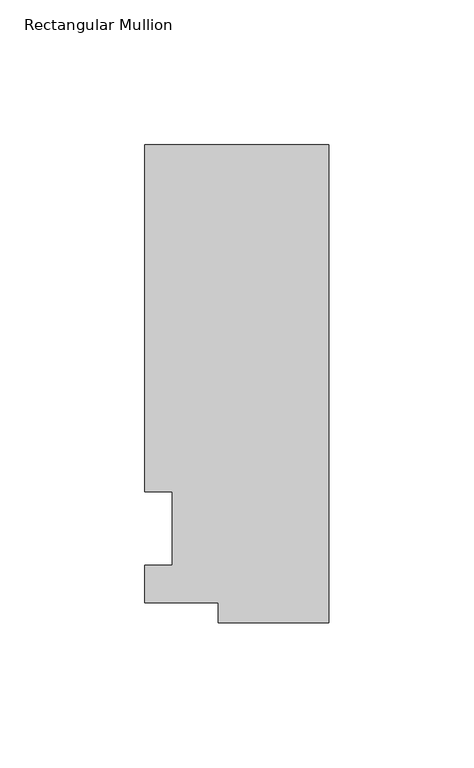
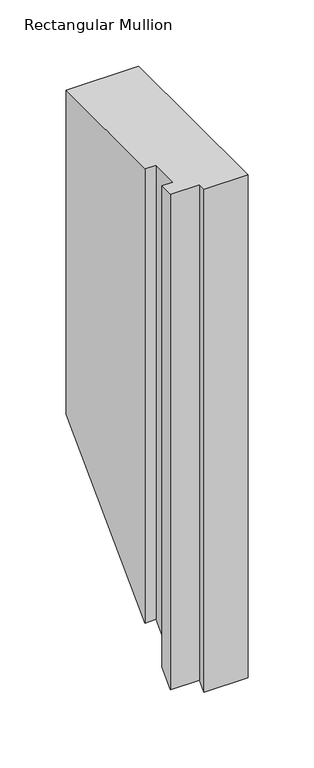
"""IFC4 building model written with IfcOpenShell, lengths in millimetres: member geometry, Rectangular Mullion."""

from ifc_helpers import new_model, si_unit, origin, place, context, project, spatial, faceted_brep, source, transform, mapped, element, save


def rectangular_mullion_c3aed979(model_context):
    return source(origin(), model_context, "Body", "Brep", [
        faceted_brep([(-38.1, -32.54375, 0.0), (0.0, -32.54375, 0.0), (0.0, 132.55625, 0.0), (-63.5, 132.55625, 0.0), (-63.5, 12.7, 0.0), (-53.975, 12.7, 0.0), (-53.975, -12.7, 0.0), (-63.5, -12.7, 0.0), (-63.5, -25.58415, 0.0), (-38.1, -25.58415, 0.0), (-38.1, -32.54375, -464.34375), (0.0, -32.54375, -464.34375), (0.0, 132.55625, -299.24375), (-63.5, 132.55625, -299.24375), (-63.5, 12.7, -419.1), (-53.975, 12.7, -419.1), (-53.975, -12.7, -444.5), (-63.5, -12.7, -444.5), (-63.5, -25.58415, -457.38415), (-38.1, -25.58415, -457.38415)], [[[0, 1, 2, 3, 4, 5, 6, 7, 8, 9]], [[1, 0, 10, 11]], [[2, 1, 11, 12]], [[3, 2, 12, 13]], [[4, 3, 13, 14]], [[5, 4, 14, 15]], [[6, 5, 15, 16]], [[7, 6, 16, 17]], [[8, 7, 17, 18]], [[9, 8, 18, 19]], [[0, 9, 19, 10]], [[10, 19, 18, 17, 16, 15, 14, 13, 12, 11]]]),
    ])


if __name__ == "__main__":
    model = new_model("IFC4")
    model_context = context("Model", 3, world=origin())
    ifc_project = project(units=[si_unit("LENGTHUNIT", "METRE", prefix="MILLI")], contexts=[model_context])
    site = spatial("IfcSite", under=ifc_project)
    building = spatial("IfcBuilding", under=site)
    placement = place(None, origin())
    rectangular_mullion_shape = rectangular_mullion_c3aed979(model_context)
    element("IfcMember", 1, ObjectType="Rectangular Mullion", at=placement, inside=building, context=model_context, shape_type="MappedRepresentation", body=[
        mapped(rectangular_mullion_shape, transform((0.0, 0.0, 0.0), x_axis=(1.0, 0.0, 0.0), y_axis=(0.0, 1.0, 0.0), z_axis=(0.0, 0.0, 1.0))),
    ])
    save(model, "model.ifc")
